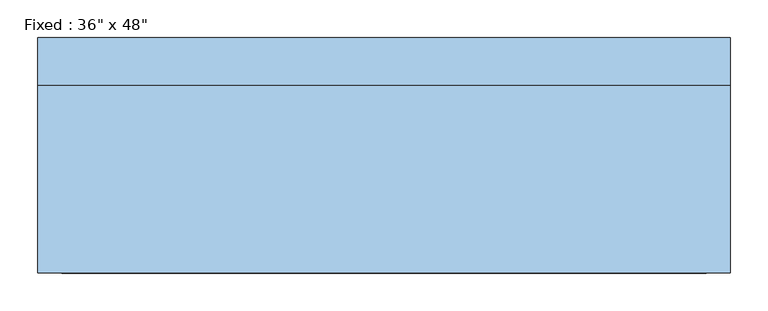
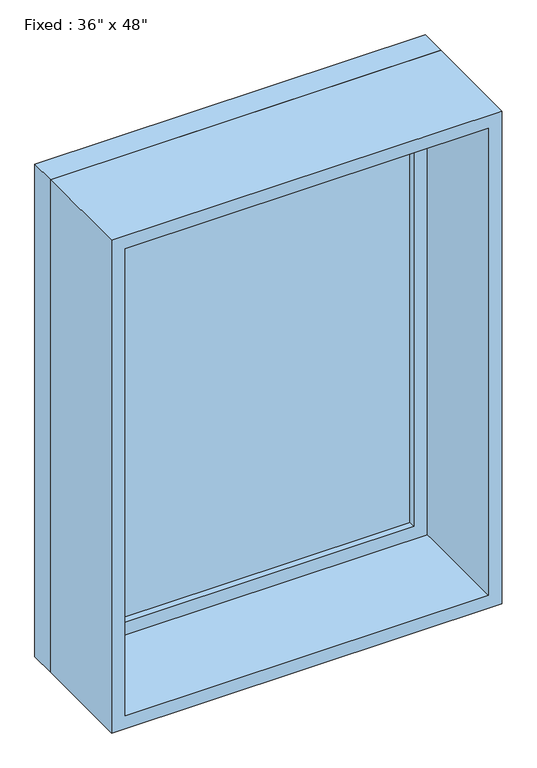
"""IFC4 building model written with IfcOpenShell, lengths in millimetres: window geometry."""

from ifc_helpers import new_model, si_unit, frame, origin, place, context, project, spatial, polyline, outline, extrude, source, transform, mapped, element, save


def window_c7706766(model_context):
    return source(origin(), model_context, "Body", "SweptSolid", [
        extrude(outline(polyline([(355.6, 107.95), (-431.8, 107.95), (-431.8, 120.65), (355.6, 120.65), (355.6, 107.95)])), frame((0.0, 0.0, 977.9), z_axis=(0.0, 0.0, 1.0), x_axis=(1.0, 0.0, 0.0)), (0.0, 0.0, 1.0), 1092.2),
        extrude(outline(polyline([(2114.55, -476.25), (933.45, -476.25), (933.45, 400.05), (2114.55, 400.05), (2114.55, -476.25)]), holes=[polyline([(2070.1, -431.8), (2070.1, 355.6), (977.9, 355.6), (977.9, -431.8), (2070.1, -431.8)])]), frame((0.0, 92.075, 0.0), z_axis=(0.0, 1.0, 0.0), x_axis=(0.0, 0.0, 1.0)), (0.0, 0.0, 1.0), 44.45),
        extrude(outline(polyline([(2133.6, -495.3), (914.4, -495.3), (914.4, 419.1), (2133.6, 419.1), (2133.6, -495.3)]), holes=[polyline([(2101.85, -463.55), (2101.85, 387.35), (946.15, 387.35), (946.15, -463.55), (2101.85, -463.55)])]), frame((0.0, -155.575, 0.0), z_axis=(0.0, 1.0, 0.0), x_axis=(0.0, 0.0, 1.0)), (0.0, 0.0, 1.0), 247.65),
        extrude(outline(polyline([(2133.6, 419.1), (2133.6, -495.3), (914.4, -495.3), (914.4, 419.1), (2133.6, 419.1)]), holes=[polyline([(2114.55, 400.05), (933.45, 400.05), (933.45, -476.25), (2114.55, -476.25), (2114.55, 400.05)])]), frame((0.0, 92.075, 0.0), z_axis=(0.0, 1.0, 0.0), x_axis=(0.0, 0.0, 1.0)), (0.0, 0.0, 1.0), 63.5),
    ])


if __name__ == "__main__":
    model = new_model("IFC4")
    model_context = context("Model", 3, world=origin())
    ifc_project = project(units=[si_unit("LENGTHUNIT", "METRE", prefix="MILLI")], contexts=[model_context])
    site = spatial("IfcSite", under=ifc_project)
    building = spatial("IfcBuilding", under=site)
    placement = place(None, origin())
    window_shape = window_c7706766(model_context)
    element("IfcWindow", 1, ObjectType="Fixed : 36\" x 48\"", at=placement, inside=building, context=model_context, shape_type="MappedRepresentation", body=[
        mapped(window_shape, transform((0.0, 0.0, 0.0), x_axis=(1.0, 0.0, 0.0), y_axis=(0.0, 1.0, 0.0), z_axis=(0.0, 0.0, 1.0))),
    ])
    save(model, "model.ifc")
